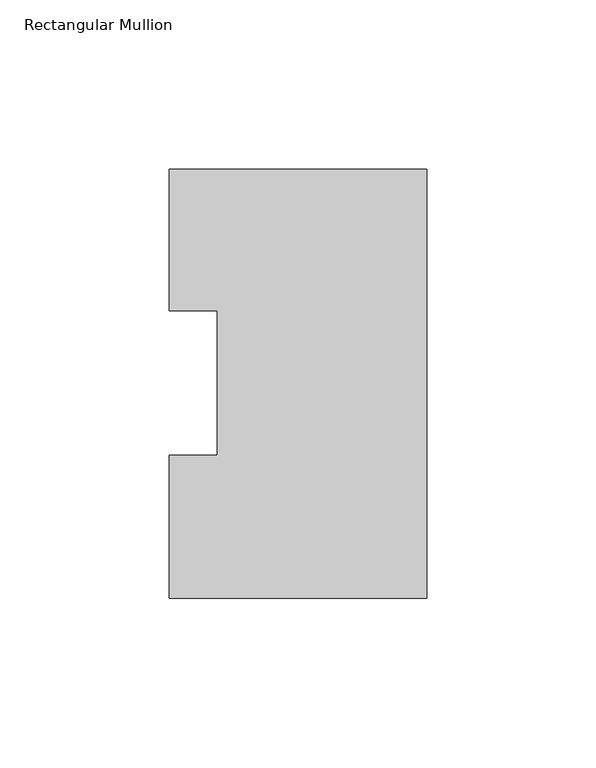
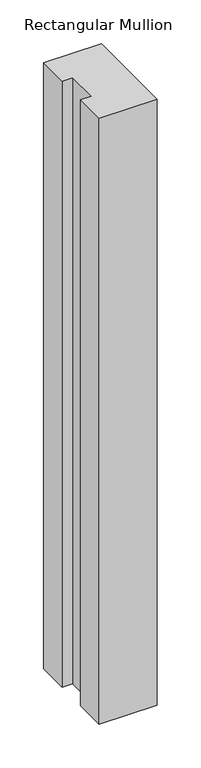
"""IFC4 building model written with IfcOpenShell, lengths in millimetres: member geometry, Rectangular Mullion."""

from ifc_helpers import new_model, si_unit, frame, origin, place, context, project, spatial, polyline, outline, extrude, source, transform, mapped, element, save


def rectangular_mullion_62e751d0(model_context):
    return source(origin(), model_context, "Body", "SweptSolid", [
        extrude(outline(polyline([(0.0, 126.9888875), (0.0, -0.0111125), (-76.1989149, -0.0111125), (-76.1989149, 42.2798875), (-61.9139549, 42.2798875), (-61.9139549, 85.1296875), (-76.1989149, 85.1296875), (-76.1989149, 126.9888875), (0.0, 126.9888875)])), frame((0.0, 0.0, -844.3091858), z_axis=(0.0, 0.0, 1.0), x_axis=(1.0, 0.0, 0.0)), (0.0, 0.0, 1.0), 844.3091858),
    ])


if __name__ == "__main__":
    model = new_model("IFC4")
    model_context = context("Model", 3, world=origin())
    ifc_project = project(units=[si_unit("LENGTHUNIT", "METRE", prefix="MILLI")], contexts=[model_context])
    site = spatial("IfcSite", under=ifc_project)
    building = spatial("IfcBuilding", under=site)
    placement = place(None, origin())
    rectangular_mullion_shape = rectangular_mullion_62e751d0(model_context)
    element("IfcMember", 1, ObjectType="Rectangular Mullion", at=placement, inside=building, context=model_context, shape_type="MappedRepresentation", body=[
        mapped(rectangular_mullion_shape, transform((0.0, 0.0, 0.0), x_axis=(1.0, 0.0, 0.0), y_axis=(0.0, 1.0, 0.0), z_axis=(0.0, 0.0, 1.0))),
    ])
    save(model, "model.ifc")
